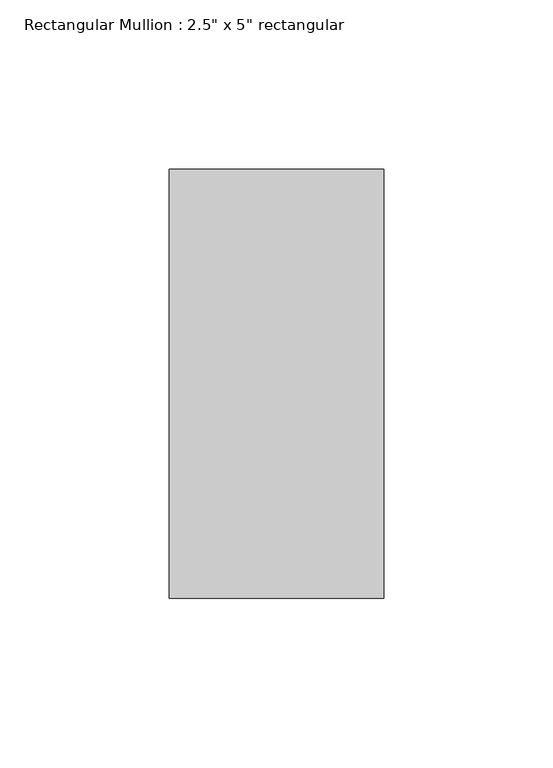
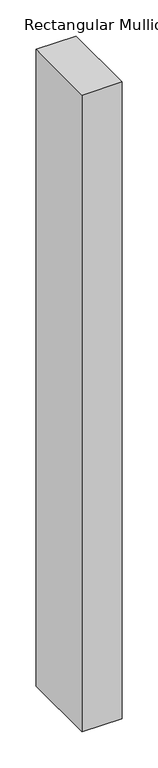
"""IFC4 building model written with IfcOpenShell, lengths in millimetres: member geometry."""

import ifcopenshell
import ifcopenshell.guid

model = None  # the IFC model being written
_history = None  # IfcOwnerHistory: only IFC2X3 demands one
_inside = {}  # id of a spatial element -> (the spatial element, [elements in it])
_under = {}  # id of a project, library or spatial element -> (it, [spatial elements below it])
_declared = {}  # id of a project -> (the project, [libraries it declares])
_typed = {}  # id of a type object -> (the type object, [elements of that type])
_made_of = {}  # id of a material, layer set ... -> (it, [elements and type objects made of it])


def new_model(schema):
    """Start an empty IFC model of exactly this schema.

    Asked for "IFC4X3", IfcOpenShell would pick the latest addendum, in which some entities
    have other attributes; the version numbers below select the first issue.
    IFC2X3 requires an IfcOwnerHistory on every rooted entity: one is made here for all.
    """
    global model, _history
    if schema == "IFC4X3":
        model = ifcopenshell.file(schema_version=(4, 3, 0, 0))
    else:
        model = ifcopenshell.file(schema=schema)
    _inside.clear()
    _under.clear()
    _declared.clear()
    _typed.clear()
    _made_of.clear()
    _history = None
    if model.schema == "IFC2X3":
        org = make("IfcOrganization", Name="unknown")
        user = make(
            "IfcPersonAndOrganization",
            ThePerson=make("IfcPerson", FamilyName="unknown"),
            TheOrganization=org,
        )
        app = make(
            "IfcApplication",
            ApplicationDeveloper=org,
            Version="unknown",
            ApplicationFullName="unknown",
            ApplicationIdentifier="unknown",
        )
        _history = make(
            "IfcOwnerHistory",
            OwningUser=user,
            OwningApplication=app,
            ChangeAction="ADDED",
            CreationDate=0,
        )
    return model


def make(cls, **values):
    """One entity of the class cls with the attributes given. An attribute that is None is left unset."""
    return model.create_entity(
        cls, **{name: value for name, value in values.items() if value is not None}
    )


def rooted(cls, **values):
    """An entity with a GlobalId (a new one), such as an element, a storey or a relation."""
    return make(cls, GlobalId=ifcopenshell.guid.new(), OwnerHistory=_history, **values)


def si_unit(unit_type, name, prefix=None):
    """IfcSIUnit, for example si_unit("LENGTHUNIT", "METRE", prefix="MILLI")."""
    return make("IfcSIUnit", UnitType=unit_type, Prefix=prefix, Name=name)


def assignment(units):
    """IfcUnitAssignment: the units of a project."""
    return None if units is None else make("IfcUnitAssignment", Units=units)


def point(xyz):
    """IfcCartesianPoint."""
    return None if xyz is None else make("IfcCartesianPoint", Coordinates=xyz)


def direction(xyz):
    """IfcDirection."""
    return None if xyz is None else make("IfcDirection", DirectionRatios=xyz)


def frame(location, z_axis=None, x_axis=None):
    """IfcAxis2Placement3D, a coordinate frame: its origin and axes. An axis left out is left unset."""
    return make(
        "IfcAxis2Placement3D",
        Location=point(location),
        Axis=direction(z_axis),
        RefDirection=direction(x_axis),
    )


def origin():
    """The frame at (0, 0, 0) with its axes left unset."""
    return frame((0.0, 0.0, 0.0))


def place(relative_to, where):
    """IfcLocalPlacement: puts the frame where relative to a parent placement (None: the world)."""
    return make(
        "IfcLocalPlacement", PlacementRelTo=relative_to, RelativePlacement=where
    )


def context(
    kind, dimensions, precision=None, world=None, true_north=None, identifier=None
):
    """IfcGeometricRepresentationContext, for example the 3D "Model" context."""
    return make(
        "IfcGeometricRepresentationContext",
        ContextIdentifier=identifier,
        ContextType=kind,
        CoordinateSpaceDimension=dimensions,
        Precision=precision,
        WorldCoordinateSystem=world,
        TrueNorth=true_north,
    )


def project(units=None, contexts=None):
    """IfcProject with its units and contexts."""
    return rooted(
        "IfcProject",
        Name="project",
        RepresentationContexts=contexts,
        UnitsInContext=assignment(units),
    )


def spatial(cls, under=None, at=None, **own):
    """A site, building, storey or space (cls), placed at a placement, below another one or the project."""
    s = rooted(cls, ObjectPlacement=at, **own)
    if under is not None:
        _under.setdefault(under.id(), (under, []))[1].append(s)
    return s


def polyline(points):
    """IfcPolyline through the points."""
    return make("IfcPolyline", Points=[point(p) for p in points])


def outline(outer, holes=None, kind="AREA"):
    """IfcArbitraryClosedProfileDef: a profile drawn as a closed curve; with holes, ...WithVoids."""
    if holes is None:
        return make("IfcArbitraryClosedProfileDef", ProfileType=kind, OuterCurve=outer)
    return make(
        "IfcArbitraryProfileDefWithVoids",
        ProfileType=kind,
        OuterCurve=outer,
        InnerCurves=holes,
    )


def extrude(swept, where, along, depth):
    """IfcExtrudedAreaSolid: the profile swept, set in the frame where, extruded along a direction by depth."""
    return make(
        "IfcExtrudedAreaSolid",
        SweptArea=swept,
        Position=where,
        ExtrudedDirection=direction(along),
        Depth=depth,
    )


def shape(context_of_items, identifier, shape_type, items):
    """IfcShapeRepresentation: the items that make up one representation, for example the "Body"."""
    return make(
        "IfcShapeRepresentation",
        ContextOfItems=context_of_items,
        RepresentationIdentifier=identifier,
        RepresentationType=shape_type,
        Items=items,
    )


def source(mapping_origin, context_of_items, identifier, shape_type, items):
    """IfcRepresentationMap: a shape defined once, which mapped items show again and again."""
    return make(
        "IfcRepresentationMap",
        MappingOrigin=mapping_origin,
        MappedRepresentation=shape(context_of_items, identifier, shape_type, items),
    )


def transform(
    local_origin,
    x_axis=None,
    y_axis=None,
    z_axis=None,
    scale=None,
    scale2=None,
    scale3=None,
    uniform=True,
):
    """IfcCartesianTransformationOperator3D, or its non-uniform kind. x_axis, y_axis, z_axis: its Axis1, 2, 3."""
    if uniform:
        return make(
            "IfcCartesianTransformationOperator3D",
            Axis1=direction(x_axis),
            Axis2=direction(y_axis),
            LocalOrigin=point(local_origin),
            Scale=scale,
            Axis3=direction(z_axis),
        )
    return make(
        "IfcCartesianTransformationOperator3DnonUniform",
        Axis1=direction(x_axis),
        Axis2=direction(y_axis),
        LocalOrigin=point(local_origin),
        Scale=scale,
        Axis3=direction(z_axis),
        Scale2=scale2,
        Scale3=scale3,
    )


def mapped(mapping_source, mapping_target):
    """IfcMappedItem: shows the shape of a source again, moved by a transform."""
    return make(
        "IfcMappedItem", MappingSource=mapping_source, MappingTarget=mapping_target
    )


def made_of(thing, what):
    """Note that an element or type object is made of a material, layer set ...; save() writes the relation."""
    if what is not None:
        _made_of.setdefault(what.id(), (what, []))[1].append(thing)
    return thing


def element(
    cls,
    number,
    at=None,
    inside=None,
    cuts=None,
    type_object=None,
    material=None,
    context=None,
    identifier="Body",
    shape_type=None,
    held_by="IfcProductDefinitionShape",
    body=None,
    shapes=None,
    **own,
):
    """One element of the class cls, such as IfcWall. Its Tag is "e" and its number.

    at: its placement. inside: the storey or other place that contains it. cuts: it is an
    opening in that element (IfcRelVoidsElement). A single representation is given by context,
    identifier, shape_type and body (its items); several are given by shapes. held_by: the class
    of the entity that holds the representations. save() writes the other relations.
    """
    e = rooted(cls, Tag="e%d" % number, ObjectPlacement=at, **own)
    if body is not None:
        shapes = [shape(context, identifier, shape_type, body)]
    if shapes is not None:
        e.Representation = make(held_by, Representations=shapes)
    if inside is not None:
        _inside.setdefault(inside.id(), (inside, []))[1].append(e)
    if cuts is not None:
        rooted(
            "IfcRelVoidsElement", RelatingBuildingElement=cuts, RelatedOpeningElement=e
        )
    if type_object is not None:
        _typed.setdefault(type_object.id(), (type_object, []))[1].append(e)
    return made_of(e, material)


def aggregate(whole, parts):
    """IfcRelAggregates: a whole, such as a stair, and the parts it consists of."""
    return rooted("IfcRelAggregates", RelatingObject=whole, RelatedObjects=parts)


def save(model, path):
    """Write the relations noted so far, then the file.

    IfcRelAggregates (storeys below a building ...), IfcRelContainedInSpatialStructure (elements
    in a storey), IfcRelDefinesByType, IfcRelAssociatesMaterial and IfcRelDeclares: one each for
    every whole, place, type object, material and project.
    """
    for whole, parts in _under.values():
        aggregate(whole, parts)
    for where, things in _inside.values():
        rooted(
            "IfcRelContainedInSpatialStructure",
            RelatedElements=things,
            RelatingStructure=where,
        )
    for kind, things in _typed.values():
        rooted("IfcRelDefinesByType", RelatedObjects=things, RelatingType=kind)
    for what, things in _made_of.values():
        rooted("IfcRelAssociatesMaterial", RelatedObjects=things, RelatingMaterial=what)
    for by, libraries in _declared.values():
        rooted("IfcRelDeclares", RelatingContext=by, RelatedDefinitions=libraries)
    model.write(path)


def member_9b1c5889(model_context):
    return source(origin(), model_context, "Body", "SweptSolid", [
        extrude(outline(polyline([(0.0, 63.5), (0.0, -63.5), (-63.5, -63.5), (-63.5, 63.5), (0.0, 63.5)])), frame((0.0, 0.0, -1073.1500001), z_axis=(0.0, 0.0, 1.0), x_axis=(1.0, 0.0, 0.0)), (0.0, 0.0, 1.0), 1073.1500001),
    ])


if __name__ == "__main__":
    model = new_model("IFC4")
    model_context = context("Model", 3, world=origin())
    ifc_project = project(units=[si_unit("LENGTHUNIT", "METRE", prefix="MILLI")], contexts=[model_context])
    site = spatial("IfcSite", under=ifc_project)
    building = spatial("IfcBuilding", under=site)
    placement = place(None, origin())
    member_shape = member_9b1c5889(model_context)
    element("IfcMember", 1, ObjectType="Rectangular Mullion : 2.5\" x 5\" rectangular", at=placement, inside=building, context=model_context, shape_type="MappedRepresentation", body=[
        mapped(member_shape, transform((0.0, 0.0, 0.0), x_axis=(1.0, 0.0, 0.0), y_axis=(0.0, 1.0, 0.0), z_axis=(0.0, 0.0, 1.0))),
    ])
    save(model, "model.ifc")
